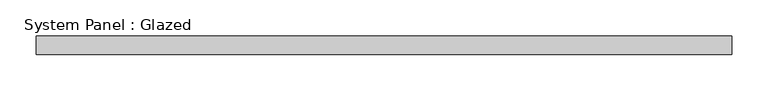
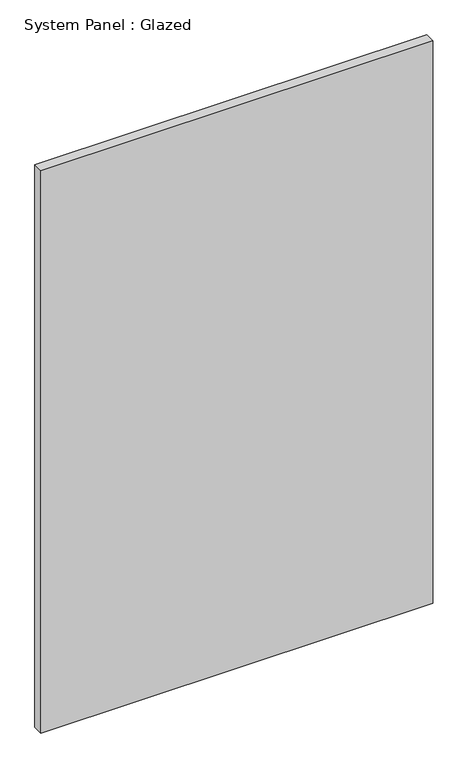
"""IFC4 building model written with IfcOpenShell, lengths in millimetres: plate geometry, System Panel : Glazed."""

from ifc_helpers import new_model, si_unit, origin, origin_with_axes, place, context, project, spatial, polyline, outline, extrude, source, transform, mapped, element, save


def system_panel_glazed_2144bd46(model_context):
    return source(origin(), model_context, "Body", "SweptSolid", [
        extrude(outline(polyline([(479.425, -12.7), (-479.425, -12.7), (-479.425, 12.7), (479.425, 12.7), (479.425, -12.7)])), origin_with_axes(), (0.0, 0.0, 1.0), 1454.15),
    ])


if __name__ == "__main__":
    model = new_model("IFC4")
    model_context = context("Model", 3, world=origin())
    ifc_project = project(units=[si_unit("LENGTHUNIT", "METRE", prefix="MILLI")], contexts=[model_context])
    site = spatial("IfcSite", under=ifc_project)
    building = spatial("IfcBuilding", under=site)
    placement = place(None, origin())
    system_panel_glazed_shape = system_panel_glazed_2144bd46(model_context)
    element("IfcPlate", 1, ObjectType="System Panel : Glazed", at=placement, inside=building, context=model_context, shape_type="MappedRepresentation", body=[
        mapped(system_panel_glazed_shape, transform((0.0, 0.0, 0.0), x_axis=(1.0, 0.0, 0.0), y_axis=(0.0, 1.0, 0.0), z_axis=(0.0, 0.0, 1.0))),
    ])
    save(model, "model.ifc")
